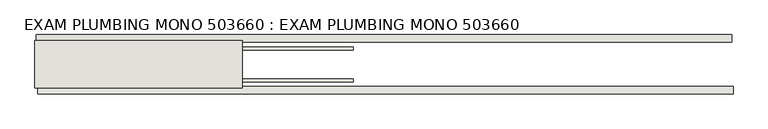
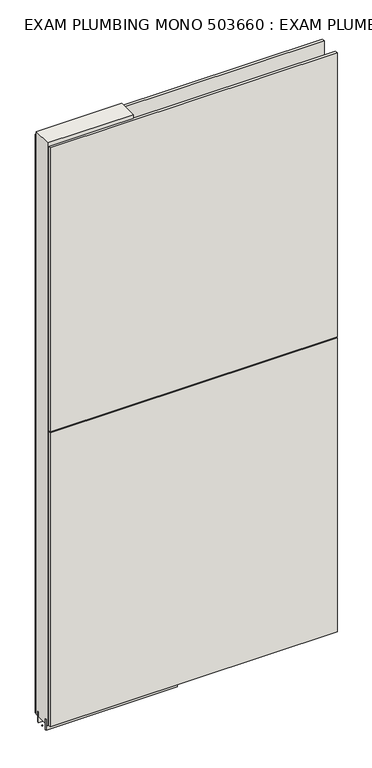
"""IFC4 building model written with IfcOpenShell, lengths in millimetres: wall geometry, EXAM PLUMBING MONO 503660 : EXAM PLUMBING MONO 503660."""

from ifc_helpers import new_model, si_unit, frame, origin, place, context, project, spatial, polyline, outline, extrude, source, transform, mapped, element, save


def exam_plumbing_mono_503660_exam_plumbing_mono_503660_2629cc38(model_context):
    return source(origin(), model_context, "Body", "SweptSolid", [
        extrude(outline(polyline([(49819.6493064, -53342.677668), (49817.1093064, -53342.677668), (49817.1093064, -53340.137668), (49819.6493064, -53340.137668), (49819.6493064, -53342.677668)])), frame((0.0, 0.0, 4419.6), z_axis=(0.0, 0.0, 1.0), x_axis=(1.0, 0.0, 0.0)), (0.0, 0.0, 1.0), 2.54),
        extrude(outline(polyline([(49819.112198, -53290.607668), (51012.612224, -53290.607668), (51012.612224, -53303.307668), (49819.112198, -53303.307668), (49819.112198, -53290.607668)])), frame((0.0, 0.0, 4445.0), z_axis=(0.0, 0.0, 1.0), x_axis=(1.0, 0.0, 0.0)), (0.0, 0.0, 1.0), 2545.0498756),
        extrude(outline(polyline([(51015.0740936, -53392.207668), (49821.5740676, -53392.207668), (49821.5740676, -53379.507668), (51015.0740936, -53379.507668), (51015.0740936, -53392.207668)])), frame((0.0, 0.0, 4445.0), z_axis=(0.0, 0.0, 1.0), x_axis=(1.0, 0.0, 0.0)), (0.0, 0.0, 1.0), 1293.400004),
        extrude(outline(polyline([(51015.0740936, -53392.207668), (49821.5740676, -53392.207668), (49821.5740676, -53379.507668), (51015.0740936, -53379.507668), (51015.0740936, -53392.207668)])), frame((0.0, 0.0, 5742.4000722), z_axis=(0.0, 0.0, 1.0), x_axis=(1.0, 0.0, 0.0)), (0.0, 0.0, 1.0), 1247.649905),
        extrude(outline(polyline([(50363.220457, -53316.330121), (49817.120457, -53316.330121), (49817.120457, -53311.245168), (50363.220457, -53311.245168), (50363.220457, -53316.330121)])), frame((0.0, 0.0, 4418.6602), z_axis=(0.0, 0.0, 1.0), x_axis=(1.0, 0.0, 0.0)), (0.0, 0.0, 1.0), 47.625),
        extrude(outline(polyline([(50363.220457, -53316.330121), (49817.120457, -53316.330121), (49817.120457, -53311.245168), (50363.220457, -53311.245168), (50363.220457, -53316.330121)])), frame((0.0, 0.0, 4418.6602), z_axis=(0.0, 0.0, 1.0), x_axis=(1.0, 0.0, 0.0)), (0.0, 0.0, 1.0), 47.625),
        extrude(outline(polyline([(49817.120457, -53366.4914126), (50363.220457, -53366.4914126), (50363.220457, -53371.570168), (49817.120457, -53371.570168), (49817.120457, -53366.4914126)])), frame((0.0, 0.0, 4418.6602), z_axis=(0.0, 0.0, 1.0), x_axis=(1.0, 0.0, 0.0)), (0.0, 0.0, 1.0), 47.625),
        extrude(outline(polyline([(49817.120457, -53366.4914126), (50363.220457, -53366.4914126), (50363.220457, -53371.570168), (49817.120457, -53371.570168), (49817.120457, -53366.4914126)])), frame((0.0, 0.0, 4418.6602), z_axis=(0.0, 0.0, 1.0), x_axis=(1.0, 0.0, 0.0)), (0.0, 0.0, 1.0), 47.625),
        extrude(outline(polyline([(50172.720457, -53300.7589812), (50172.720457, -53382.0625524), (49817.120457, -53382.0625524), (49817.120457, -53300.7589812), (50172.720457, -53300.7589812)])), frame((0.0, 0.0, 4445.0), z_axis=(0.0, 0.0, 1.0), x_axis=(1.0, 0.0, 0.0)), (0.0, 0.0, 1.0), 2562.4536762),
    ])


if __name__ == "__main__":
    model = new_model("IFC4")
    model_context = context("Model", 3, world=origin())
    ifc_project = project(units=[si_unit("LENGTHUNIT", "METRE", prefix="MILLI")], contexts=[model_context])
    site = spatial("IfcSite", under=ifc_project)
    building = spatial("IfcBuilding", under=site)
    placement = place(None, origin())
    exam_plumbing_mono_503660_exam_plumbing_mono_503660_shape = exam_plumbing_mono_503660_exam_plumbing_mono_503660_2629cc38(model_context)
    element("IfcWall", 1, ObjectType="EXAM PLUMBING MONO 503660 : EXAM PLUMBING MONO 503660", at=placement, inside=building, context=model_context, shape_type="MappedRepresentation", body=[
        mapped(exam_plumbing_mono_503660_exam_plumbing_mono_503660_shape, transform((0.0, 0.0, 0.0), x_axis=(1.0, 0.0, 0.0), y_axis=(0.0, 1.0, 0.0), z_axis=(0.0, 0.0, 1.0))),
    ])
    save(model, "model.ifc")
